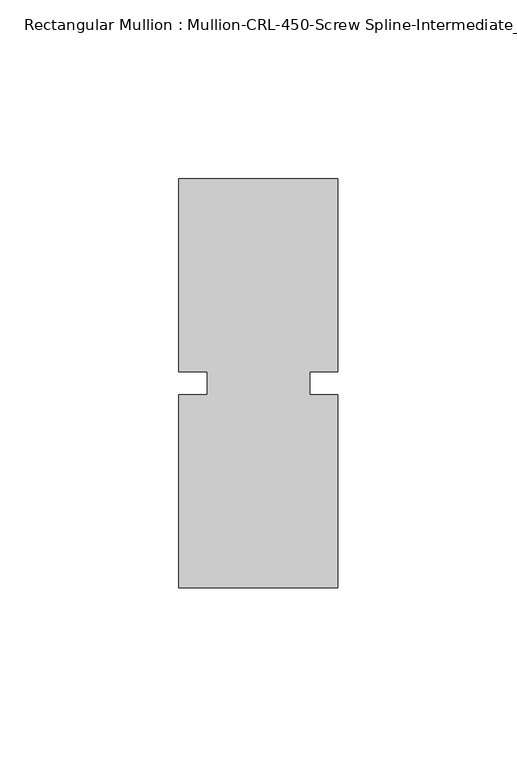
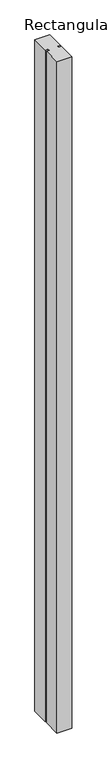
"""IFC4 building model written with IfcOpenShell, lengths in millimetres: member geometry, Rectangular Mullion : Mullion-CRL-450-Screw Spline-Intermediate_Vertical."""

import ifcopenshell
import ifcopenshell.guid

model = None  # the IFC model being written
_history = None  # IfcOwnerHistory: only IFC2X3 demands one
_inside = {}  # id of a spatial element -> (the spatial element, [elements in it])
_under = {}  # id of a project, library or spatial element -> (it, [spatial elements below it])
_declared = {}  # id of a project -> (the project, [libraries it declares])
_typed = {}  # id of a type object -> (the type object, [elements of that type])
_made_of = {}  # id of a material, layer set ... -> (it, [elements and type objects made of it])


def new_model(schema):
    """Start an empty IFC model of exactly this schema.

    Asked for "IFC4X3", IfcOpenShell would pick the latest addendum, in which some entities
    have other attributes; the version numbers below select the first issue.
    IFC2X3 requires an IfcOwnerHistory on every rooted entity: one is made here for all.
    """
    global model, _history
    if schema == "IFC4X3":
        model = ifcopenshell.file(schema_version=(4, 3, 0, 0))
    else:
        model = ifcopenshell.file(schema=schema)
    _inside.clear()
    _under.clear()
    _declared.clear()
    _typed.clear()
    _made_of.clear()
    _history = None
    if model.schema == "IFC2X3":
        org = make("IfcOrganization", Name="unknown")
        user = make(
            "IfcPersonAndOrganization",
            ThePerson=make("IfcPerson", FamilyName="unknown"),
            TheOrganization=org,
        )
        app = make(
            "IfcApplication",
            ApplicationDeveloper=org,
            Version="unknown",
            ApplicationFullName="unknown",
            ApplicationIdentifier="unknown",
        )
        _history = make(
            "IfcOwnerHistory",
            OwningUser=user,
            OwningApplication=app,
            ChangeAction="ADDED",
            CreationDate=0,
        )
    return model


def make(cls, **values):
    """One entity of the class cls with the attributes given. An attribute that is None is left unset."""
    return model.create_entity(
        cls, **{name: value for name, value in values.items() if value is not None}
    )


def rooted(cls, **values):
    """An entity with a GlobalId (a new one), such as an element, a storey or a relation."""
    return make(cls, GlobalId=ifcopenshell.guid.new(), OwnerHistory=_history, **values)


def si_unit(unit_type, name, prefix=None):
    """IfcSIUnit, for example si_unit("LENGTHUNIT", "METRE", prefix="MILLI")."""
    return make("IfcSIUnit", UnitType=unit_type, Prefix=prefix, Name=name)


def assignment(units):
    """IfcUnitAssignment: the units of a project."""
    return None if units is None else make("IfcUnitAssignment", Units=units)


def point(xyz):
    """IfcCartesianPoint."""
    return None if xyz is None else make("IfcCartesianPoint", Coordinates=xyz)


def direction(xyz):
    """IfcDirection."""
    return None if xyz is None else make("IfcDirection", DirectionRatios=xyz)


def frame(location, z_axis=None, x_axis=None):
    """IfcAxis2Placement3D, a coordinate frame: its origin and axes. An axis left out is left unset."""
    return make(
        "IfcAxis2Placement3D",
        Location=point(location),
        Axis=direction(z_axis),
        RefDirection=direction(x_axis),
    )


def origin():
    """The frame at (0, 0, 0) with its axes left unset."""
    return frame((0.0, 0.0, 0.0))


def place(relative_to, where):
    """IfcLocalPlacement: puts the frame where relative to a parent placement (None: the world)."""
    return make(
        "IfcLocalPlacement", PlacementRelTo=relative_to, RelativePlacement=where
    )


def context(
    kind, dimensions, precision=None, world=None, true_north=None, identifier=None
):
    """IfcGeometricRepresentationContext, for example the 3D "Model" context."""
    return make(
        "IfcGeometricRepresentationContext",
        ContextIdentifier=identifier,
        ContextType=kind,
        CoordinateSpaceDimension=dimensions,
        Precision=precision,
        WorldCoordinateSystem=world,
        TrueNorth=true_north,
    )


def project(units=None, contexts=None):
    """IfcProject with its units and contexts."""
    return rooted(
        "IfcProject",
        Name="project",
        RepresentationContexts=contexts,
        UnitsInContext=assignment(units),
    )


def spatial(cls, under=None, at=None, **own):
    """A site, building, storey or space (cls), placed at a placement, below another one or the project."""
    s = rooted(cls, ObjectPlacement=at, **own)
    if under is not None:
        _under.setdefault(under.id(), (under, []))[1].append(s)
    return s


def polyline(points):
    """IfcPolyline through the points."""
    return make("IfcPolyline", Points=[point(p) for p in points])


def outline(outer, holes=None, kind="AREA"):
    """IfcArbitraryClosedProfileDef: a profile drawn as a closed curve; with holes, ...WithVoids."""
    if holes is None:
        return make("IfcArbitraryClosedProfileDef", ProfileType=kind, OuterCurve=outer)
    return make(
        "IfcArbitraryProfileDefWithVoids",
        ProfileType=kind,
        OuterCurve=outer,
        InnerCurves=holes,
    )


def extrude(swept, where, along, depth):
    """IfcExtrudedAreaSolid: the profile swept, set in the frame where, extruded along a direction by depth."""
    return make(
        "IfcExtrudedAreaSolid",
        SweptArea=swept,
        Position=where,
        ExtrudedDirection=direction(along),
        Depth=depth,
    )


def shape(context_of_items, identifier, shape_type, items):
    """IfcShapeRepresentation: the items that make up one representation, for example the "Body"."""
    return make(
        "IfcShapeRepresentation",
        ContextOfItems=context_of_items,
        RepresentationIdentifier=identifier,
        RepresentationType=shape_type,
        Items=items,
    )


def source(mapping_origin, context_of_items, identifier, shape_type, items):
    """IfcRepresentationMap: a shape defined once, which mapped items show again and again."""
    return make(
        "IfcRepresentationMap",
        MappingOrigin=mapping_origin,
        MappedRepresentation=shape(context_of_items, identifier, shape_type, items),
    )


def transform(
    local_origin,
    x_axis=None,
    y_axis=None,
    z_axis=None,
    scale=None,
    scale2=None,
    scale3=None,
    uniform=True,
):
    """IfcCartesianTransformationOperator3D, or its non-uniform kind. x_axis, y_axis, z_axis: its Axis1, 2, 3."""
    if uniform:
        return make(
            "IfcCartesianTransformationOperator3D",
            Axis1=direction(x_axis),
            Axis2=direction(y_axis),
            LocalOrigin=point(local_origin),
            Scale=scale,
            Axis3=direction(z_axis),
        )
    return make(
        "IfcCartesianTransformationOperator3DnonUniform",
        Axis1=direction(x_axis),
        Axis2=direction(y_axis),
        LocalOrigin=point(local_origin),
        Scale=scale,
        Axis3=direction(z_axis),
        Scale2=scale2,
        Scale3=scale3,
    )


def mapped(mapping_source, mapping_target):
    """IfcMappedItem: shows the shape of a source again, moved by a transform."""
    return make(
        "IfcMappedItem", MappingSource=mapping_source, MappingTarget=mapping_target
    )


def made_of(thing, what):
    """Note that an element or type object is made of a material, layer set ...; save() writes the relation."""
    if what is not None:
        _made_of.setdefault(what.id(), (what, []))[1].append(thing)
    return thing


def element(
    cls,
    number,
    at=None,
    inside=None,
    cuts=None,
    type_object=None,
    material=None,
    context=None,
    identifier="Body",
    shape_type=None,
    held_by="IfcProductDefinitionShape",
    body=None,
    shapes=None,
    **own,
):
    """One element of the class cls, such as IfcWall. Its Tag is "e" and its number.

    at: its placement. inside: the storey or other place that contains it. cuts: it is an
    opening in that element (IfcRelVoidsElement). A single representation is given by context,
    identifier, shape_type and body (its items); several are given by shapes. held_by: the class
    of the entity that holds the representations. save() writes the other relations.
    """
    e = rooted(cls, Tag="e%d" % number, ObjectPlacement=at, **own)
    if body is not None:
        shapes = [shape(context, identifier, shape_type, body)]
    if shapes is not None:
        e.Representation = make(held_by, Representations=shapes)
    if inside is not None:
        _inside.setdefault(inside.id(), (inside, []))[1].append(e)
    if cuts is not None:
        rooted(
            "IfcRelVoidsElement", RelatingBuildingElement=cuts, RelatedOpeningElement=e
        )
    if type_object is not None:
        _typed.setdefault(type_object.id(), (type_object, []))[1].append(e)
    return made_of(e, material)


def aggregate(whole, parts):
    """IfcRelAggregates: a whole, such as a stair, and the parts it consists of."""
    return rooted("IfcRelAggregates", RelatingObject=whole, RelatedObjects=parts)


def save(model, path):
    """Write the relations noted so far, then the file.

    IfcRelAggregates (storeys below a building ...), IfcRelContainedInSpatialStructure (elements
    in a storey), IfcRelDefinesByType, IfcRelAssociatesMaterial and IfcRelDeclares: one each for
    every whole, place, type object, material and project.
    """
    for whole, parts in _under.values():
        aggregate(whole, parts)
    for where, things in _inside.values():
        rooted(
            "IfcRelContainedInSpatialStructure",
            RelatedElements=things,
            RelatingStructure=where,
        )
    for kind, things in _typed.values():
        rooted("IfcRelDefinesByType", RelatedObjects=things, RelatingType=kind)
    for what, things in _made_of.values():
        rooted("IfcRelAssociatesMaterial", RelatedObjects=things, RelatingMaterial=what)
    for by, libraries in _declared.values():
        rooted("IfcRelDeclares", RelatingContext=by, RelatedDefinitions=libraries)
    model.write(path)


def rectangular_mullion_mullion_crl_450_screw_spline_3711b7f2(model_context):
    return source(origin(), model_context, "Body", "SweptSolid", [
        extrude(outline(polyline([(-22.2250071, -3.175), (-14.2875071, -3.175), (-14.2875071, 3.175), (-22.2250071, 3.175), (-22.2250071, 57.15), (22.2250071, 57.15), (22.2250071, 3.175), (14.2875071, 3.175), (14.2875071, -3.175), (22.2250071, -3.175), (22.2250071, -57.15), (-22.2250071, -57.15), (-22.2250071, -3.175)])), frame((0.0, 0.0, -2127.2500696), z_axis=(0.0, 0.0, 1.0), x_axis=(1.0, 0.0, 0.0)), (0.0, 0.0, 1.0), 2127.2500696),
    ])


if __name__ == "__main__":
    model = new_model("IFC4")
    model_context = context("Model", 3, world=origin())
    ifc_project = project(units=[si_unit("LENGTHUNIT", "METRE", prefix="MILLI")], contexts=[model_context])
    site = spatial("IfcSite", under=ifc_project)
    building = spatial("IfcBuilding", under=site)
    placement = place(None, origin())
    rectangular_mullion_mullion_crl_450_screw_spline_shape = rectangular_mullion_mullion_crl_450_screw_spline_3711b7f2(model_context)
    element("IfcMember", 1, ObjectType="Rectangular Mullion : Mullion-CRL-450-Screw Spline-Intermediate_Vertical", at=placement, inside=building, context=model_context, shape_type="MappedRepresentation", body=[
        mapped(rectangular_mullion_mullion_crl_450_screw_spline_shape, transform((0.0, 0.0, 0.0), x_axis=(1.0, 0.0, 0.0), y_axis=(0.0, 1.0, 0.0), z_axis=(0.0, 0.0, 1.0))),
    ])
    save(model, "model.ifc")
